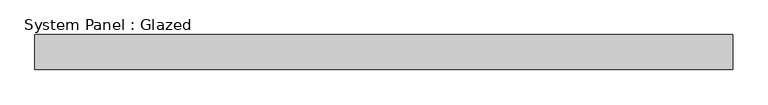
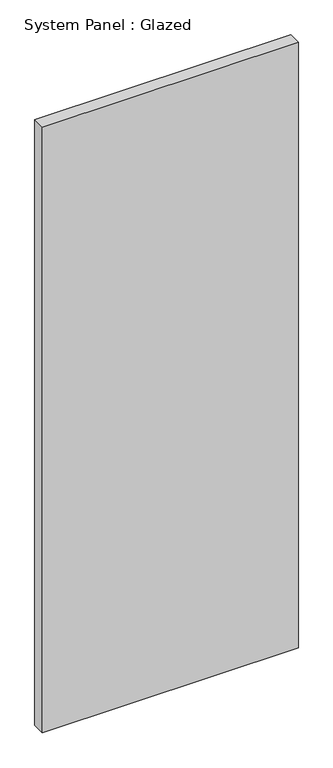
"""IFC4 building model written with IfcOpenShell, lengths in millimetres: plate geometry, System Panel : Glazed."""

from ifc_helpers import new_model, si_unit, origin, origin_with_axes, place, context, project, spatial, polyline, outline, extrude, source, transform, mapped, element, save


def system_panel_glazed_89c7a16a(model_context):
    return source(origin(), model_context, "Body", "SweptSolid", [
        extrude(outline(polyline([(1000.0, -150.0), (-1000.0, -150.0), (-1000.0, -50.0), (1000.0, -50.0), (1000.0, -150.0)])), origin_with_axes(), (0.0, 0.0, 1.0), 5000.0),
    ])


if __name__ == "__main__":
    model = new_model("IFC4")
    model_context = context("Model", 3, world=origin())
    ifc_project = project(units=[si_unit("LENGTHUNIT", "METRE", prefix="MILLI")], contexts=[model_context])
    site = spatial("IfcSite", under=ifc_project)
    building = spatial("IfcBuilding", under=site)
    placement = place(None, origin())
    system_panel_glazed_shape = system_panel_glazed_89c7a16a(model_context)
    element("IfcPlate", 1, ObjectType="System Panel : Glazed", at=placement, inside=building, context=model_context, shape_type="MappedRepresentation", body=[
        mapped(system_panel_glazed_shape, transform((0.0, 0.0, 0.0), x_axis=(1.0, 0.0, 0.0), y_axis=(0.0, 1.0, 0.0), z_axis=(0.0, 0.0, 1.0))),
    ])
    save(model, "model.ifc")
